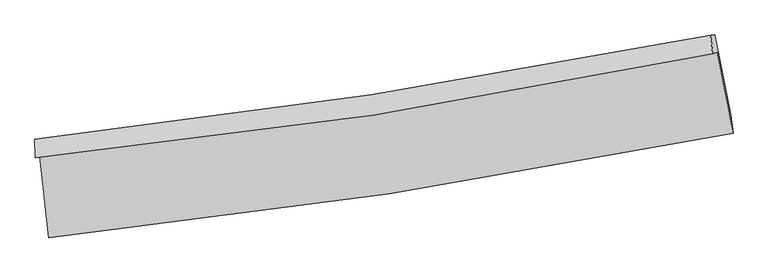
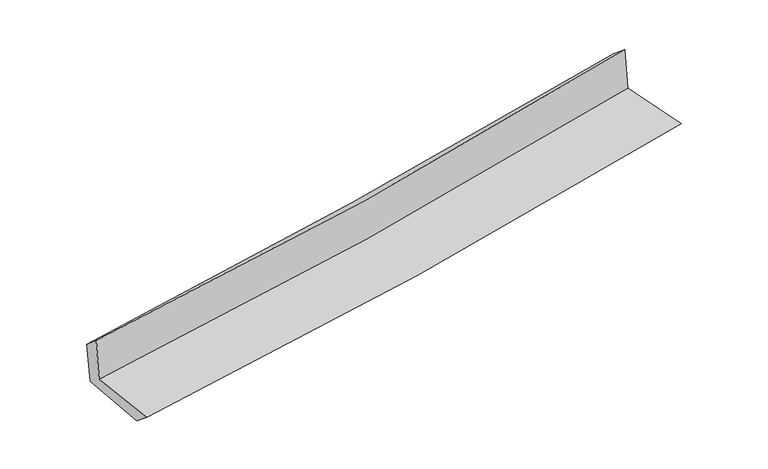
"""IFC4 building model written with IfcOpenShell, lengths in millimetres: proxy geometry."""

from ifc_helpers import new_model, si_unit, frame, origin, place, context, project, spatial, source, transform, mapped, element, save
from ifc_brep_helpers import plane_surface, spline_curve, spline_surface, advanced_brep


def generic_models_6013fbcc(model_context):
    return source(origin(), model_context, "Body", "AdvancedBrep", [
        advanced_brep(
        [(-2765.704759, -1900.4589543, 1648.4066906), (-2694.485613, -2560.3981026, 1641.6272185), (2856.026533, -1711.9739786, 2128.088094), (2727.1305306, -1055.7082582, 2129.6841526), (-2801.2472588, -1913.8675408, 2058.5379206), (2691.9859974, -1068.9667098, 2535.2231738), (-2805.5252369, -1764.0008501, 1928.1408968), (2673.8458513, -917.0109315, 2409.8317368), (-2771.4697305, -1763.3007886, 1549.583796), (2708.4449703, -916.1702779, 2036.3266311), (-2700.0331911, -2401.3740026, 1514.444893), (2838.6625504, -1565.2081817, 2005.2968881)],
        [
            (0, 1),
            (1, 2, spline_curve(3, [(-2694.485613, -2560.3981026, 1641.6272185), (-1770.332772556, -2464.067748639, 1722.760169174), (-849.303569831, -2345.924850335, 1803.550962001), (1000.966327234, -2063.809399506, 1965.715451468), (1930.107839668, -1899.144256513, 2047.07828387), (2856.026533, -1711.9739786, 2128.088094)], [4, 2, 4], [0.0, 9.129566348548336, 18.402940806010296])),
            (2, 3),
            (3, 0, spline_curve(3, [(2727.1305306, -1055.7082582, 2129.6841526), (1812.073961167, -1246.74180382, 2049.565583924), (893.20288684, -1413.012564221, 1969.08361869), (-937.859600198, -1693.834060114, 1808.646614503), (-1849.933622478, -1809.146865203, 1728.702759185), (-2765.704759, -1900.4589543, 1648.4066906)], [4, 2, 4], [0.0, 9.27337445746196, 18.402940806010296])),
            (4, 0),
            (3, 5),
            (5, 4, spline_curve(3, [(2691.9859974, -1068.9667098, 2535.2231738), (1777.294733774, -1259.862441903, 2450.889277276), (858.571200726, -1426.077541649, 2368.704806688), (-972.63064349, -1706.951610658, 2209.875870205), (-1884.984862505, -1822.370121428, 2133.165256809), (-2801.2472588, -1913.8675408, 2058.5379206)], [4, 2, 4], [0.0, 9.225975190358458, 18.308877322350135])),
            (6, 4),
            (5, 7),
            (7, 6, spline_curve(3, [(2673.8458513, -917.0109315, 2409.8317368), (1759.07872637, -1096.730733939, 2333.771739775), (841.490864477, -1257.578357513, 2255.268214031), (-985.052972614, -1539.327543075, 2094.629401574), (-1893.922140075, -1660.809892453, 2012.56931428), (-2805.5252369, -1764.0008501, 1928.1408968)], [4, 2, 4], [0.0, 9.214464268515917, 18.28603398584274])),
            (8, 6),
            (7, 9),
            (9, 8, spline_curve(3, [(2708.4449703, -916.1702779, 2036.3266311), (1794.041069462, -1095.911629224, 1954.393185283), (876.587388632, -1256.781842873, 1872.548278698), (-950.144701483, -1538.57792445, 1710.303391632), (-1859.329254043, -1660.084547886, 1629.900686553), (-2771.4697305, -1763.3007886, 1549.583796)], [4, 2, 4], [0.0, 9.203862130325284, 18.264994123553734])),
            (10, 8),
            (9, 11),
            (11, 10, spline_curve(3, [(2838.6625504, -1565.2081817, 2005.2968881), (1915.296360365, -1753.576312453, 1922.088818229), (988.421276614, -1917.798148614, 1839.263777058), (-857.918622821, -2195.776992169, 1675.6582332), (-1777.275452678, -2310.277096116, 1594.865942537), (-2700.0331911, -2401.3740026, 1514.444893)], [4, 2, 4], [0.0, 9.252127017889437, 18.360775424408804])),
            (1, 10),
            (11, 2),
        ],
        [
            spline_surface(3, 3, [[(-2765.704759, -1900.4589543, 1648.4066906), (-1849.933622441, -1809.146865142, 1728.70275927), (-937.859600218, -1693.83406017, 1808.64661453), (893.202886861, -1413.012564164, 1969.083618663), (1812.073961209, -1246.741803774, 2049.565584056), (2727.1305306, -1055.7082582, 2129.6841526)], [(-2741.965043689, -2120.43867039, 1646.146866574), (-1823.400005864, -2027.453826258, 1726.721895931), (-908.3409234, -1911.197656869, 1806.948063695), (929.124033624, -1629.944842643, 1967.960896233), (1851.418587348, -1464.209288019, 2048.736483953), (2770.095864755, -1274.463498334, 2129.152133068)], [(-2718.225328311, -2340.41838651, 1643.887042526), (-1796.866389218, -2245.760787404, 1724.741032569), (-878.822246575, -2128.561253555, 1805.249512895), (965.045180395, -1846.87712111, 1966.838173838), (1890.763213422, -1681.676772262, 2047.907383845), (2813.061198845, -1493.218738466, 2128.620113532)], [(-2694.485613, -2560.3981026, 1641.6272185), (-1770.33277264, -2464.06774852, 1722.760169229), (-849.303569757, -2345.924850254, 1803.550962061), (1000.966327159, -2063.809399589, 1965.715451408), (1930.10783956, -1899.144256507, 2047.078283742), (2856.026533, -1711.9739786, 2128.088094)]], [4, 4], [4, 2, 4], [0.0, 2.161495996582835], [0.0, 9.129566348548336, 18.402940806010296]),
            spline_surface(3, 3, [[(-2801.2472588, -1913.8675408, 2058.5379206), (-1884.984862589, -1822.370121472, 2133.165256746), (-972.630643534, -1706.951610762, 2209.875870289), (858.571200771, -1426.077541543, 2368.704806603), (1777.294733742, -1259.862441953, 2450.889277419), (2691.9859974, -1068.9667098, 2535.2231738)], [(-2789.399758845, -1909.398011965, 1921.827510608), (-1873.301115852, -1817.96236936, 1998.344424262), (-961.040295758, -1702.579093877, 2076.132785036), (870.115096138, -1421.722549063, 2235.497743957), (1788.887809546, -1255.488895906, 2317.114712959), (2703.700841781, -1064.547225946, 2400.043500061)], [(-2777.552258955, -1904.928483135, 1785.117100592), (-1861.617369178, -1813.554617254, 1863.523591753), (-949.449947994, -1698.206577055, 1942.389699783), (881.658991494, -1417.367556644, 2102.290681309), (1800.480885405, -1251.115349822, 2183.340148516), (2715.415686219, -1060.127742054, 2264.863826339)], [(-2765.704759, -1900.4589543, 1648.4066906), (-1849.933622441, -1809.146865142, 1728.70275927), (-937.859600218, -1693.83406017, 1808.64661453), (893.202886861, -1413.012564164, 1969.083618663), (1812.073961209, -1246.741803774, 2049.565584056), (2727.1305306, -1055.7082582, 2129.6841526)]], [4, 4], [4, 2, 4], [0.0, 1.3193143713508955], [0.0, 9.082902131991677, 18.308877322350135]),
            spline_surface(3, 3, [[(-2805.5252369, -1764.0008501, 1928.1408968), (-1893.922140036, -1660.809892499, 2012.56931418), (-985.052972545, -1539.327543106, 2094.629401588), (841.490864406, -1257.578357481, 2255.268214016), (1759.078726355, -1096.730733981, 2333.771739906), (2673.8458513, -917.0109315, 2409.8317368)], [(-2804.099244224, -1813.956413698, 1971.606571399), (-1890.943047578, -1714.663302188, 2052.7679617), (-980.912196214, -1595.202232331, 2133.044891153), (847.184309855, -1313.744752175, 2293.080411543), (1765.150728834, -1151.107969972, 2372.810919078), (2679.892566683, -967.662857601, 2451.628882468)], [(-2802.673251476, -1863.911977202, 2015.072246001), (-1887.963955047, -1768.516711783, 2092.966609225), (-976.771419865, -1651.076921537, 2171.460380724), (852.877755322, -1369.911146849, 2330.892609076), (1771.222731263, -1205.485205961, 2411.850098247), (2685.939282017, -1018.314783699, 2493.426028132)], [(-2801.2472588, -1913.8675408, 2058.5379206), (-1884.984862589, -1822.370121472, 2133.165256746), (-972.630643534, -1706.951610762, 2209.875870289), (858.571200771, -1426.077541543, 2368.704806603), (1777.294733742, -1259.862441953, 2450.889277419), (2691.9859974, -1068.9667098, 2535.2231738)]], [4, 4], [4, 2, 4], [0.0, 0.6686498850807341], [0.0, 9.071569717326822, 18.28603398584274]),
            spline_surface(3, 3, [[(-2771.4697305, -1763.3007886, 1549.583796), (-1859.329254043, -1660.084547862, 1629.900686629), (-950.144701396, -1538.577924522, 1710.303391708), (876.587388544, -1256.7818428, 1872.54827862), (1794.04106946, -1095.911629255, 1954.393185267), (2708.4449703, -916.1702779, 2036.3266311)], [(-2782.82156594, -1763.534142425, 1675.769496256), (-1870.860216014, -1660.3263294, 1757.456895802), (-961.780791791, -1538.827797385, 1838.412061677), (864.888547152, -1257.047347696, 2000.121590427), (1782.38695508, -1096.184664176, 2080.852703501), (2696.911930621, -916.450495779, 2160.828333021)], [(-2794.17340146, -1763.767496275, 1801.955196544), (-1882.391178065, -1660.568110962, 1885.013105006), (-973.41688215, -1539.077670243, 1966.52073162), (853.189705798, -1257.312852586, 2127.694902209), (1770.732840735, -1096.457699059, 2207.312221672), (2685.378890979, -916.730713621, 2285.330034879)], [(-2805.5252369, -1764.0008501, 1928.1408968), (-1893.922140036, -1660.809892499, 2012.56931418), (-985.052972545, -1539.327543106, 2094.629401588), (841.490864406, -1257.578357481, 2255.268214016), (1759.078726355, -1096.730733981, 2333.771739906), (2673.8458513, -917.0109315, 2409.8317368)]], [4, 4], [4, 2, 4], [0.0, 1.2634674162832105], [0.0, 9.06113199322845, 18.264994123553734]),
            spline_surface(3, 3, [[(-2700.0331911, -2401.3740026, 1514.444893), (-1777.275452809, -2310.277096025, 1594.865942484), (-857.918622741, -2195.776992053, 1675.658233087), (988.421276533, -1917.798148732, 1839.263777172), (1915.296360303, -1753.576312428, 1922.088818245), (2838.6625504, -1565.2081817, 2005.2968881)], [(-2723.845370901, -2188.682931259, 1526.157860668), (-1804.626719888, -2093.546246629, 1606.544190533), (-888.66064895, -1976.710636219, 1687.206619291), (951.143313879, -1697.459380098, 1850.358610985), (1874.877930042, -1534.354751368, 1932.856940562), (2795.256690386, -1348.862213765, 2015.640135743)], [(-2747.657550699, -1975.991859941, 1537.870828332), (-1831.977986964, -1876.815397258, 1618.222438579), (-919.402675187, -1757.644280356, 1698.755005505), (913.865351197, -1477.120611434, 1861.453444807), (1834.459499721, -1315.133190315, 1943.625062951), (2751.850830314, -1132.516245835, 2025.983383457)], [(-2771.4697305, -1763.3007886, 1549.583796), (-1859.329254043, -1660.084547862, 1629.900686629), (-950.144701396, -1538.577924522, 1710.303391708), (876.587388544, -1256.7818428, 1872.54827862), (1794.04106946, -1095.911629255, 1954.393185267), (2708.4449703, -916.1702779, 2036.3266311)]], [4, 4], [4, 2, 4], [0.0, 2.1911866957788257], [0.0, 9.108648406519366, 18.360775424408804]),
            spline_surface(3, 3, [[(-2694.485613, -2560.3981026, 1641.6272185), (-1770.33277264, -2464.06774852, 1722.760169229), (-849.303569757, -2345.924850254, 1803.550962061), (1000.966327159, -2063.809399589, 1965.715451408), (1930.10783956, -1899.144256507, 2047.078283742), (2856.026533, -1711.9739786, 2128.088094)], [(-2696.3348057, -2507.390069262, 1599.233109995), (-1772.646999363, -2412.804197684, 1680.128760309), (-852.175254078, -2295.875564185, 1760.920052412), (996.784643625, -2015.138982635, 1923.564893338), (1925.170679781, -1850.621608456, 2005.415128582), (2850.238538773, -1663.052046275, 2087.157692039)], [(-2698.1839984, -2454.382035938, 1556.839001505), (-1774.961226086, -2361.540646861, 1637.497351404), (-855.046938421, -2245.826278122, 1718.289142737), (992.602960067, -1966.468565686, 1881.414335242), (1920.233520082, -1802.098960479, 1963.751973405), (2844.450544627, -1614.130114025, 2046.227290061)], [(-2700.0331911, -2401.3740026, 1514.444893), (-1777.275452809, -2310.277096025, 1594.865942484), (-857.918622741, -2195.776992053, 1675.658233087), (988.421276533, -1917.798148732, 1839.263777172), (1915.296360303, -1753.576312428, 1922.088818245), (2838.6625504, -1565.2081817, 2005.2968881)]], [4, 4], [4, 2, 4], [0.0, 0.6412387113448018], [0.0, 9.165839120613384, 18.47605771558718]),
            plane_surface(frame((2749.3494055, -1205.8397229, 2207.4084461), z_axis=(0.9772270638297934, 0.19171425191971256, 0.09095554589724637), x_axis=(-0.09223845500888833, -0.0022411146572598253, 0.9957344248456345))),
            plane_surface(frame((-2756.4109649, -2050.5667065, 1723.4569026), z_axis=(-0.9903534635027237, -0.1059594547259134, -0.08928948024457602), x_axis=(-0.10728916924011152, 0.9941754010207049, 0.010213039169970439))),
        ],
        [
            (0, [[1, 2, 3, 4]]),
            (1, [[5, -4, 6, 7]]),
            (2, [[8, -7, 9, 10]]),
            (3, [[11, -10, 12, 13]]),
            (4, [[14, -13, 15, 16]]),
            (5, [[17, -16, 18, -2]]),
            (6, [[-12, -9, -6, -3, -18, -15]]),
            (7, [[-1, -5, -8, -11, -14, -17]]),
        ],
    ),
    ])


if __name__ == "__main__":
    model = new_model("IFC4")
    model_context = context("Model", 3, world=origin())
    ifc_project = project(units=[si_unit("LENGTHUNIT", "METRE", prefix="MILLI")], contexts=[model_context])
    site = spatial("IfcSite", under=ifc_project)
    building = spatial("IfcBuilding", under=site)
    placement = place(None, origin())
    generic_models_shape = generic_models_6013fbcc(model_context)
    element("IfcBuildingElementProxy", 1, Name="Generic Models", at=placement, inside=building, context=model_context, shape_type="MappedRepresentation", body=[
        mapped(generic_models_shape, transform((0.0, 0.0, 0.0), x_axis=(1.0, 0.0, 0.0), y_axis=(0.0, 1.0, 0.0), z_axis=(0.0, 0.0, 1.0))),
    ])
    save(model, "model.ifc")
